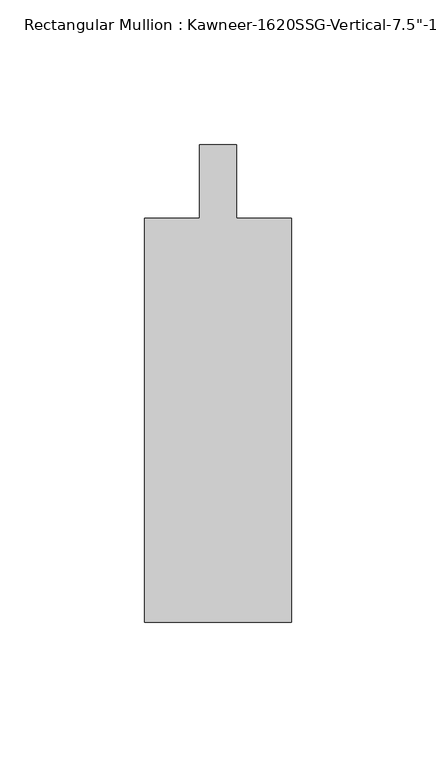
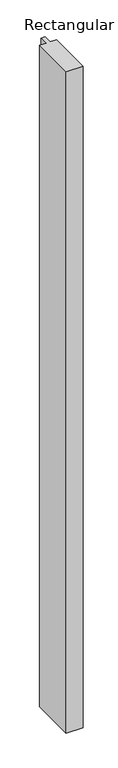
"""IFC4 building model written with IfcOpenShell, lengths in millimetres: member geometry."""

from ifc_helpers import new_model, si_unit, frame, origin, place, context, project, spatial, polyline, outline, extrude, source, transform, mapped, element, save


def member_9b4269da(model_context):
    return source(origin(), model_context, "Body", "SweptSolid", [
        extrude(outline(polyline([(25.4, -152.4), (-25.4, -152.4), (-25.4, -12.7), (-6.35, -12.7), (-6.35, 12.7), (6.35, 12.7), (6.35, -12.7), (25.4, -12.7), (25.4, -152.4)])), frame((0.0, 0.0, -2117.725), z_axis=(0.0, 0.0, 1.0), x_axis=(1.0, 0.0, 0.0)), (0.0, 0.0, 1.0), 2117.725),
    ])


if __name__ == "__main__":
    model = new_model("IFC4")
    model_context = context("Model", 3, world=origin())
    ifc_project = project(units=[si_unit("LENGTHUNIT", "METRE", prefix="MILLI")], contexts=[model_context])
    site = spatial("IfcSite", under=ifc_project)
    building = spatial("IfcBuilding", under=site)
    placement = place(None, origin())
    member_shape = member_9b4269da(model_context)
    element("IfcMember", 1, ObjectType="Rectangular Mullion : Kawneer-1620SSG-Vertical-7.5\"-1\"Infill-Standard", at=placement, inside=building, context=model_context, shape_type="MappedRepresentation", body=[
        mapped(member_shape, transform((0.0, 0.0, 0.0), x_axis=(1.0, 0.0, 0.0), y_axis=(0.0, 1.0, 0.0), z_axis=(0.0, 0.0, 1.0))),
    ])
    save(model, "model.ifc")
